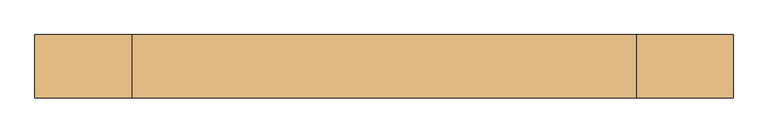
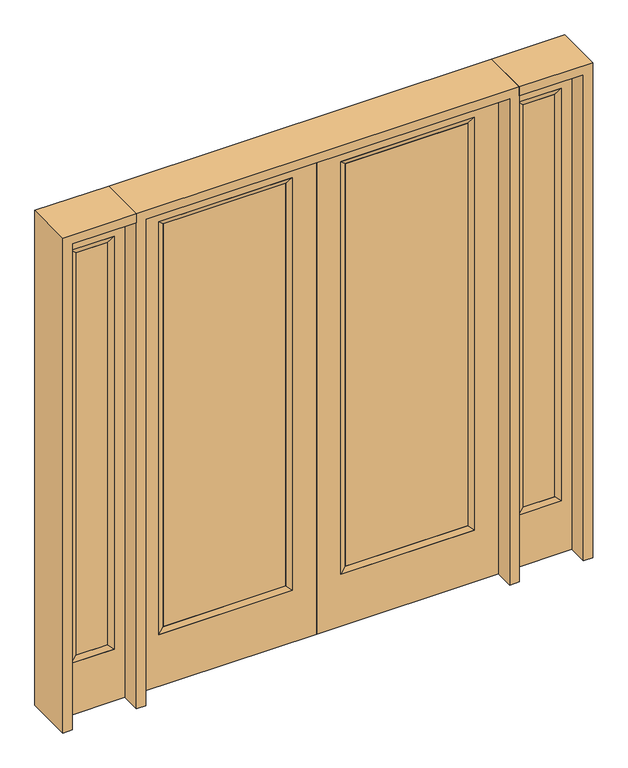
"""IFC4 building model written with IfcOpenShell, lengths in millimetres: door geometry."""

from ifc_helpers import new_model, si_unit, frame, origin, place, context, project, spatial, polyline, outline, extrude, faceted_brep, source, transform, mapped, element, save


def door_9fd27671(model_context):
    return source(origin(), model_context, "Body", "SolidModel", [
        extrude(outline(polyline([(140.8176, -12.7039749), (140.8176, 14.2875), (722.7824, 14.2875), (722.7824, -12.7039749), (140.8176, -12.7039749)])), frame((0.0, 0.0, 285.75), z_axis=(0.0, 0.0, 1.0), x_axis=(1.0, 0.0, 0.0)), (0.0, 0.0, 1.0), 2019.3),
        faceted_brep([(140.8176, 14.2875, 2305.05), (140.8176, 14.2875, 285.75), (115.4176, 22.225, 260.35), (115.4176, 22.225, 2330.45), (115.4176, -22.225, 260.35), (115.4176, -22.225, 2330.45), (722.7824, 14.2875, 285.75), (748.1824, 22.225, 260.35), (140.8176, -12.7039749, 2305.05), (140.8176, -12.7039749, 285.75), (722.7824, -12.7039749, 285.75), (748.1824, -22.225, 260.35), (722.7824, 14.2875, 2305.05), (748.1824, 22.225, 2330.45), (722.7824, -12.7039749, 2305.05), (748.1824, -22.225, 2330.45)], [[[0, 1, 2, 3]], [[3, 2, 4, 5]], [[1, 6, 7, 2]], [[8, 9, 1, 0]], [[9, 10, 6, 1]], [[5, 4, 9, 8]], [[4, 11, 10, 9]], [[2, 7, 11, 4]], [[6, 12, 13, 7]], [[10, 14, 12, 6]], [[11, 15, 14, 10]], [[7, 13, 15, 11]], [[12, 0, 3, 13]], [[14, 8, 0, 12]], [[15, 5, 8, 14]], [[13, 3, 5, 15]]]),
        extrude(outline(polyline([(0.0, 863.6), (2438.4, 863.6), (2438.4, 0.0), (0.0, 0.0), (0.0, 863.6)]), holes=[polyline([(260.35, 748.1824), (260.35, 115.4176), (2330.45, 115.4176), (2330.45, 748.1824), (260.35, 748.1824)])]), frame((0.0, -22.225, 0.0), z_axis=(0.0, 1.0, 0.0), x_axis=(0.0, 0.0, 1.0)), (0.0, 0.0, 1.0), 44.45),
        extrude(outline(polyline([(-140.8176, -12.7039749), (-722.7824, -12.7039749), (-722.7824, 14.2875), (-140.8176, 14.2875), (-140.8176, -12.7039749)])), frame((0.0, 0.0, 285.75), z_axis=(0.0, 0.0, 1.0), x_axis=(1.0, 0.0, 0.0)), (0.0, 0.0, 1.0), 2019.3),
        faceted_brep([(-140.8176, 14.2875, 2305.05), (-115.4176, 22.225, 2330.45), (-115.4176, 22.225, 260.35), (-140.8176, 14.2875, 285.75), (-115.4176, -22.225, 2330.45), (-115.4176, -22.225, 260.35), (-748.1824, 22.225, 260.35), (-722.7824, 14.2875, 285.75), (-140.8176, -12.7039749, 2305.05), (-140.8176, -12.7039749, 285.75), (-722.7824, -12.7039749, 285.75), (-748.1824, -22.225, 260.35), (-748.1824, 22.225, 2330.45), (-722.7824, 14.2875, 2305.05), (-722.7824, -12.7039749, 2305.05), (-748.1824, -22.225, 2330.45)], [[[0, 1, 2, 3]], [[1, 4, 5, 2]], [[3, 2, 6, 7]], [[8, 0, 3, 9]], [[9, 3, 7, 10]], [[4, 8, 9, 5]], [[5, 9, 10, 11]], [[2, 5, 11, 6]], [[7, 6, 12, 13]], [[10, 7, 13, 14]], [[11, 10, 14, 15]], [[6, 11, 15, 12]], [[13, 12, 1, 0]], [[14, 13, 0, 8]], [[15, 14, 8, 4]], [[12, 15, 4, 1]]]),
        extrude(outline(polyline([(0.0, -863.6), (0.0, 0.0), (2438.4, 0.0), (2438.4, -863.6), (0.0, -863.6)]), holes=[polyline([(260.35, -748.1824), (2330.45, -748.1824), (2330.45, -115.4176), (260.35, -115.4176), (260.35, -748.1824)])]), frame((0.0, -22.225, 0.0), z_axis=(0.0, 1.0, 0.0), x_axis=(0.0, 0.0, 1.0)), (0.0, 0.0, 1.0), 44.45),
        faceted_brep([(958.85, 20.6375, 2330.45), (958.85, 20.6375, 260.35), (958.85, -20.6375, 260.35), (958.85, -20.6375, 2330.45), (984.25, -12.7, 285.75), (984.25, -12.7, 2305.05), (1162.05, 20.6375, 260.35), (1162.05, -20.6375, 260.35), (984.25, 12.7, 2305.05), (984.25, 12.7, 285.75), (1136.65, 12.7, 285.75), (1136.65, -12.7, 285.75), (1162.05, 20.6375, 2330.45), (1162.05, -20.6375, 2330.45), (1136.65, 12.7, 2305.05), (1136.65, -12.7, 2305.05)], [[[0, 1, 2, 3]], [[3, 2, 4, 5]], [[1, 6, 7, 2]], [[8, 9, 1, 0]], [[9, 10, 6, 1]], [[5, 4, 9, 8]], [[4, 11, 10, 9]], [[2, 7, 11, 4]], [[6, 12, 13, 7]], [[10, 14, 12, 6]], [[11, 15, 14, 10]], [[7, 13, 15, 11]], [[12, 0, 3, 13]], [[14, 8, 0, 12]], [[15, 5, 8, 14]], [[13, 3, 5, 15]]]),
        extrude(outline(polyline([(0.0, 1212.85), (2438.4, 1212.85), (2438.4, 908.05), (0.0, 908.05), (0.0, 1212.85)]), holes=[polyline([(2330.45, 958.85), (2330.45, 1162.05), (260.35, 1162.05), (260.35, 958.85), (2330.45, 958.85)])]), frame((0.0, -20.6375, 0.0), z_axis=(0.0, 1.0, 0.0), x_axis=(0.0, 0.0, 1.0)), (0.0, 0.0, 1.0), 41.275),
        extrude(outline(polyline([(984.25, -12.7), (984.25, 12.7), (1136.65, 12.7), (1136.65, -12.7), (984.25, -12.7)])), frame((0.0, 0.0, 285.75), z_axis=(0.0, 0.0, 1.0), x_axis=(1.0, 0.0, 0.0)), (0.0, 0.0, 1.0), 2019.3),
        faceted_brep([(-958.85, 20.6375, 2330.45), (-958.85, -20.6375, 2330.45), (-958.85, -20.6375, 260.35), (-958.85, 20.6375, 260.35), (-984.25, -12.7, 2305.05), (-984.25, -12.7, 285.75), (-1162.05, -20.6375, 260.35), (-1162.05, 20.6375, 260.35), (-984.25, 12.7, 2305.05), (-984.25, 12.7, 285.75), (-1136.65, 12.7, 285.75), (-1136.65, -12.7, 285.75), (-1162.05, -20.6375, 2330.45), (-1162.05, 20.6375, 2330.45), (-1136.65, 12.7, 2305.05), (-1136.65, -12.7, 2305.05)], [[[0, 1, 2, 3]], [[1, 4, 5, 2]], [[3, 2, 6, 7]], [[8, 0, 3, 9]], [[9, 3, 7, 10]], [[4, 8, 9, 5]], [[5, 9, 10, 11]], [[2, 5, 11, 6]], [[7, 6, 12, 13]], [[10, 7, 13, 14]], [[11, 10, 14, 15]], [[6, 11, 15, 12]], [[13, 12, 1, 0]], [[14, 13, 0, 8]], [[15, 14, 8, 4]], [[12, 15, 4, 1]]]),
        extrude(outline(polyline([(0.0, -1212.85), (0.0, -908.05), (2438.4, -908.05), (2438.4, -1212.85), (0.0, -1212.85)]), holes=[polyline([(2330.45, -958.85), (260.35, -958.85), (260.35, -1162.05), (2330.45, -1162.05), (2330.45, -958.85)])]), frame((0.0, -20.6375, 0.0), z_axis=(0.0, 1.0, 0.0), x_axis=(0.0, 0.0, 1.0)), (0.0, 0.0, 1.0), 41.275),
        extrude(outline(polyline([(-984.25, -12.7), (-1136.65, -12.7), (-1136.65, 12.7), (-984.25, 12.7), (-984.25, -12.7)])), frame((0.0, 0.0, 285.75), z_axis=(0.0, 0.0, 1.0), x_axis=(1.0, 0.0, 0.0)), (0.0, 0.0, 1.0), 2019.3),
        extrude(outline(polyline([(2438.4, -908.05), (2482.85, -908.05), (2482.85, -1257.3), (0.0, -1257.3), (0.0, -1212.85), (2438.4, -1212.85), (2438.4, -908.05)])), frame((0.0, -114.3, 0.0), z_axis=(0.0, 1.0, 0.0), x_axis=(0.0, 0.0, 1.0)), (0.0, 0.0, 1.0), 228.6),
        extrude(outline(polyline([(2482.85, -908.05), (0.0, -908.05), (0.0, -863.6), (2438.4, -863.6), (2438.4, 863.6), (0.0, 863.6), (0.0, 908.05), (2482.85, 908.05), (2482.85, -908.05)])), frame((0.0, -114.3, 0.0), z_axis=(0.0, 1.0, 0.0), x_axis=(0.0, 0.0, 1.0)), (0.0, 0.0, 1.0), 228.6),
        extrude(outline(polyline([(0.0, 1212.85), (0.0, 1257.3), (2482.85, 1257.3), (2482.85, 908.05), (2438.4, 908.05), (2438.4, 1212.85), (0.0, 1212.85)])), frame((0.0, -114.3, 0.0), z_axis=(0.0, 1.0, 0.0), x_axis=(0.0, 0.0, 1.0)), (0.0, 0.0, 1.0), 228.6),
    ])


if __name__ == "__main__":
    model = new_model("IFC4")
    model_context = context("Model", 3, world=origin())
    ifc_project = project(units=[si_unit("LENGTHUNIT", "METRE", prefix="MILLI")], contexts=[model_context])
    site = spatial("IfcSite", under=ifc_project)
    building = spatial("IfcBuilding", under=site)
    placement = place(None, origin())
    door_shape = door_9fd27671(model_context)
    element("IfcDoor", 1, at=placement, inside=building, context=model_context, shape_type="MappedRepresentation", body=[
        mapped(door_shape, transform((0.0, 0.0, 0.0), x_axis=(1.0, 0.0, 0.0), y_axis=(0.0, 1.0, 0.0), z_axis=(0.0, 0.0, 1.0))),
    ])
    save(model, "model.ifc")
